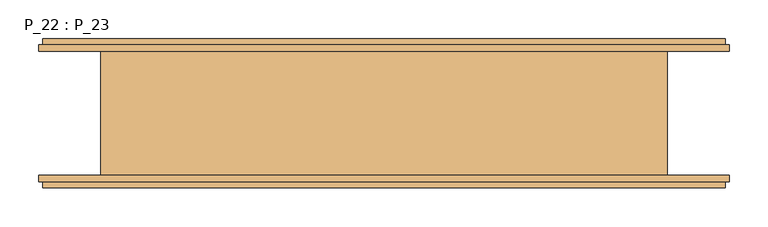
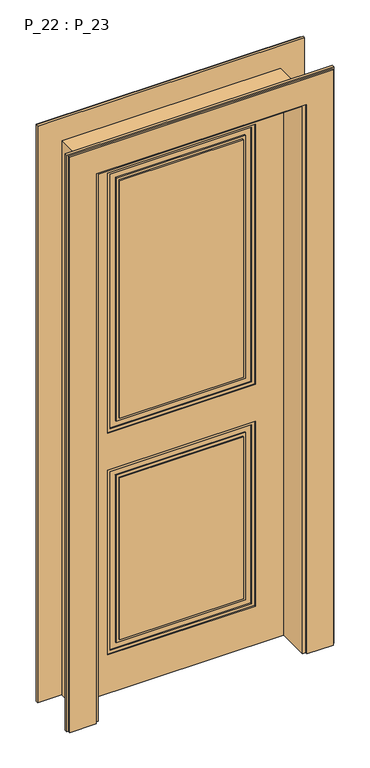
"""IFC4 building model written with IfcOpenShell, lengths in millimetres: door geometry, P_22 : P_23."""

from ifc_helpers import new_model, si_unit, frame, origin, origin_with_axes, place, context, project, spatial, polyline, outline, extrude, faceted_brep, source, transform, mapped, element, save


def p_22_p_23_76c746ce(model_context):
    return source(origin(), model_context, "Body", "SolidModel", [
        extrude(outline(polyline([(1831.0, 246.0), (1831.0, -246.0), (915.0, -246.0), (915.0, 246.0), (1831.0, 246.0)]), holes=[polyline([(1821.0, 236.0), (925.0, 236.0), (925.0, -236.0), (1821.0, -236.0), (1821.0, 236.0)])]), frame((0.0, 68.0, 0.0), z_axis=(0.0, 1.0, 0.0), x_axis=(0.0, 0.0, 1.0)), (0.0, 0.0, 1.0), 4.0),
        extrude(outline(polyline([(785.0, 246.0), (785.0, -246.0), (135.0, -246.0), (135.0, 246.0), (785.0, 246.0)]), holes=[polyline([(775.0, 236.0), (145.0, 236.0), (145.0, -236.0), (775.0, -236.0), (775.0, 236.0)])]), frame((0.0, 68.0, 0.0), z_axis=(0.0, 1.0, 0.0), x_axis=(0.0, 0.0, 1.0)), (0.0, 0.0, 1.0), 4.0),
        extrude(outline(polyline([(1801.0, 216.0), (1801.0, -216.0), (945.0, -216.0), (945.0, 216.0), (1801.0, 216.0)]), holes=[polyline([(1791.0, 206.0), (955.0, 206.0), (955.0, -206.0), (1791.0, -206.0), (1791.0, 206.0)])]), frame((0.0, 68.0, 0.0), z_axis=(0.0, 1.0, 0.0), x_axis=(0.0, 0.0, 1.0)), (0.0, 0.0, 1.0), 4.0),
        extrude(outline(polyline([(755.0, 216.0), (755.0, -216.0), (165.0, -216.0), (165.0, 216.0), (755.0, 216.0)]), holes=[polyline([(745.0, 206.0), (175.0, 206.0), (175.0, -206.0), (745.0, -206.0), (745.0, 206.0)])]), frame((0.0, 68.0, 0.0), z_axis=(0.0, 1.0, 0.0), x_axis=(0.0, 0.0, 1.0)), (0.0, 0.0, 1.0), 4.0),
        extrude(outline(polyline([(-206.0, 76.0), (206.0, 76.0), (206.0, 68.0), (-206.0, 68.0), (-206.0, 76.0)])), frame((0.0, 0.0, 175.0), z_axis=(0.0, 0.0, 1.0), x_axis=(1.0, 0.0, 0.0)), (0.0, 0.0, 1.0), 570.0),
        extrude(outline(polyline([(1925.0, 340.0), (1925.0, -340.0), (0.0, -340.0), (0.0, 340.0), (1925.0, 340.0)]), holes=[polyline([(1831.0, 246.0), (915.0, 246.0), (915.0, -246.0), (1831.0, -246.0), (1831.0, 246.0)]), polyline([(135.0, 246.0), (135.0, -246.0), (785.0, -246.0), (785.0, 246.0), (135.0, 246.0)])]), frame((0.0, 68.0, 0.0), z_axis=(0.0, 1.0, 0.0), x_axis=(0.0, 0.0, 1.0)), (0.0, 0.0, 1.0), 8.0),
        extrude(outline(polyline([(-206.0, 76.0), (206.0, 76.0), (206.0, 68.0), (-206.0, 68.0), (-206.0, 76.0)])), frame((0.0, 0.0, 955.0), z_axis=(0.0, 0.0, 1.0), x_axis=(1.0, 0.0, 0.0)), (0.0, 0.0, 1.0), 836.0),
        extrude(outline(polyline([(785.0, 246.0), (785.0, -246.0), (135.0, -246.0), (135.0, 246.0), (785.0, 246.0)]), holes=[polyline([(775.0, 236.0), (145.0, 236.0), (145.0, -236.0), (775.0, -236.0), (775.0, 236.0)])]), frame((0.0, 24.0, 0.0), z_axis=(0.0, 1.0, 0.0), x_axis=(0.0, 0.0, 1.0)), (0.0, 0.0, 1.0), 4.0),
        extrude(outline(polyline([(755.0, 216.0), (755.0, -216.0), (165.0, -216.0), (165.0, 216.0), (755.0, 216.0)]), holes=[polyline([(745.0, 206.0), (175.0, 206.0), (175.0, -206.0), (745.0, -206.0), (745.0, 206.0)])]), frame((0.0, 24.0, 0.0), z_axis=(0.0, 1.0, 0.0), x_axis=(0.0, 0.0, 1.0)), (0.0, 0.0, 1.0), 4.0),
        extrude(outline(polyline([(1831.0, 246.0), (1831.0, -246.0), (915.0, -246.0), (915.0, 246.0), (1831.0, 246.0)]), holes=[polyline([(1821.0, 236.0), (925.0, 236.0), (925.0, -236.0), (1821.0, -236.0), (1821.0, 236.0)])]), frame((0.0, 24.0, 0.0), z_axis=(0.0, 1.0, 0.0), x_axis=(0.0, 0.0, 1.0)), (0.0, 0.0, 1.0), 4.0),
        extrude(outline(polyline([(1801.0, 216.0), (1801.0, -216.0), (945.0, -216.0), (945.0, 216.0), (1801.0, 216.0)]), holes=[polyline([(1791.0, 206.0), (955.0, 206.0), (955.0, -206.0), (1791.0, -206.0), (1791.0, 206.0)])]), frame((0.0, 24.0, 0.0), z_axis=(0.0, 1.0, 0.0), x_axis=(0.0, 0.0, 1.0)), (0.0, 0.0, 1.0), 4.0),
        extrude(outline(polyline([(1925.0, 340.0), (1925.0, -340.0), (0.0, -340.0), (0.0, 340.0), (1925.0, 340.0)]), holes=[polyline([(1831.0, 246.0), (915.0, 246.0), (915.0, -246.0), (1831.0, -246.0), (1831.0, 246.0)]), polyline([(135.0, 246.0), (135.0, -246.0), (785.0, -246.0), (785.0, 246.0), (135.0, 246.0)])]), frame((0.0, 20.0, 0.0), z_axis=(0.0, 1.0, 0.0), x_axis=(0.0, 0.0, 1.0)), (0.0, 0.0, 1.0), 8.0),
        extrude(outline(polyline([(206.0, 20.0), (-206.0, 20.0), (-206.0, 28.0), (206.0, 28.0), (206.0, 20.0)])), frame((0.0, 0.0, 175.0), z_axis=(0.0, 0.0, 1.0), x_axis=(1.0, 0.0, 0.0)), (0.0, 0.0, 1.0), 570.0),
        extrude(outline(polyline([(206.0, 20.0), (-206.0, 20.0), (-206.0, 28.0), (206.0, 28.0), (206.0, 20.0)])), frame((0.0, 0.0, 955.0), z_axis=(0.0, 0.0, 1.0), x_axis=(1.0, 0.0, 0.0)), (0.0, 0.0, 1.0), 836.0),
        extrude(outline(polyline([(345.0, 28.0), (-345.0, 28.0), (-345.0, 38.0), (345.0, 38.0), (345.0, 28.0)])), origin_with_axes(), (0.0, 0.0, 1.0), 1930.0),
        faceted_brep([(445.0, 80.0, 0.0), (365.0, 80.0, 0.0), (365.0, -80.0, 0.0), (445.0, -80.0, 0.0), (445.0, -88.0, 0.0), (440.0, -88.0, 0.0), (440.0, -96.0, 0.0), (351.0, -96.0, 0.0), (351.0, -88.0, 0.0), (341.0, -88.0, 0.0), (341.0, 28.0, 0.0), (351.0, 28.0, 0.0), (351.0, 96.0, 0.0), (440.0, 96.0, 0.0), (440.0, 88.0, 0.0), (445.0, 88.0, 0.0), (445.0, 80.0, 2030.0), (-445.0, 80.0, 2030.0), (-445.0, 80.0, 0.0), (-365.0, 80.0, 0.0), (-365.0, 80.0, 1950.0), (365.0, 80.0, 1950.0), (365.0, -80.0, 1950.0), (-365.0, -80.0, 1950.0), (-365.0, -80.0, 0.0), (-445.0, -80.0, 0.0), (-445.0, -80.0, 2030.0), (445.0, -80.0, 2030.0), (445.0, -88.0, 2030.0), (-445.0, -88.0, 2030.0), (-445.0, -88.0, 0.0), (-440.0, -88.0, 0.0), (-440.0, -88.0, 2025.0), (440.0, -88.0, 2025.0), (440.0, -96.0, 2025.0), (-440.0, -96.0, 2025.0), (-440.0, -96.0, 0.0), (-351.0, -96.0, 0.0), (-351.0, -96.0, 1936.0), (351.0, -96.0, 1936.0), (351.0, -88.0, 1936.0), (-351.0, -88.0, 1936.0), (-351.0, -88.0, 0.0), (-341.0, -88.0, 0.0), (-341.0, -88.0, 1926.0), (341.0, -88.0, 1926.0), (341.0, 28.0, 1926.0), (-341.0, 28.0, 1926.0), (-341.0, 28.0, 0.0), (-351.0, 28.0, 0.0), (-351.0, 28.0, 1936.0), (351.0, 28.0, 1936.0), (351.0, 96.0, 1936.0), (-351.0, 96.0, 1936.0), (-351.0, 96.0, 0.0), (-440.0, 96.0, 0.0), (-440.0, 96.0, 2025.0), (440.0, 96.0, 2025.0), (440.0, 88.0, 2025.0), (-440.0, 88.0, 2025.0), (-440.0, 88.0, 0.0), (-445.0, 88.0, 0.0), (-445.0, 88.0, 2030.0), (445.0, 88.0, 2030.0)], [[[0, 1, 2, 3, 4, 5, 6, 7, 8, 9, 10, 11, 12, 13, 14, 15]], [[1, 0, 16, 17, 18, 19, 20, 21]], [[2, 1, 21, 22]], [[3, 2, 22, 23, 24, 25, 26, 27]], [[4, 3, 27, 28]], [[5, 4, 28, 29, 30, 31, 32, 33]], [[6, 5, 33, 34]], [[7, 6, 34, 35, 36, 37, 38, 39]], [[8, 7, 39, 40]], [[9, 8, 40, 41, 42, 43, 44, 45]], [[10, 9, 45, 46]], [[11, 10, 46, 47, 48, 49, 50, 51]], [[12, 11, 51, 52]], [[13, 12, 52, 53, 54, 55, 56, 57]], [[14, 13, 57, 58]], [[15, 14, 58, 59, 60, 61, 62, 63]], [[0, 15, 63, 16]], [[17, 62, 61, 18]], [[18, 61, 60, 55, 54, 49, 48, 43, 42, 37, 36, 31, 30, 25, 24, 19]], [[23, 20, 19, 24]], [[29, 26, 25, 30]], [[47, 44, 43, 48]], [[53, 50, 49, 54]], [[59, 56, 55, 60]], [[41, 38, 37, 42]], [[35, 32, 31, 36]], [[22, 21, 20, 23]], [[52, 51, 50, 53]], [[58, 57, 56, 59]], [[16, 63, 62, 17]], [[28, 27, 26, 29]], [[34, 33, 32, 35]], [[40, 39, 38, 41]], [[46, 45, 44, 47]]]),
    ])


if __name__ == "__main__":
    model = new_model("IFC4")
    model_context = context("Model", 3, world=origin())
    ifc_project = project(units=[si_unit("LENGTHUNIT", "METRE", prefix="MILLI")], contexts=[model_context])
    site = spatial("IfcSite", under=ifc_project)
    building = spatial("IfcBuilding", under=site)
    placement = place(None, origin())
    p_22_p_23_shape = p_22_p_23_76c746ce(model_context)
    element("IfcDoor", 1, ObjectType="P_22 : P_23", at=placement, inside=building, context=model_context, shape_type="MappedRepresentation", body=[
        mapped(p_22_p_23_shape, transform((0.0, 0.0, 0.0), x_axis=(1.0, 0.0, 0.0), y_axis=(0.0, 1.0, 0.0), z_axis=(0.0, 0.0, 1.0))),
    ])
    save(model, "model.ifc")
